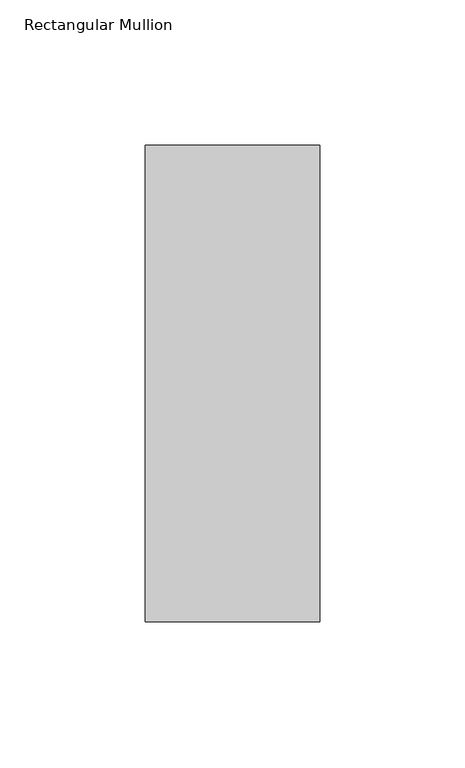
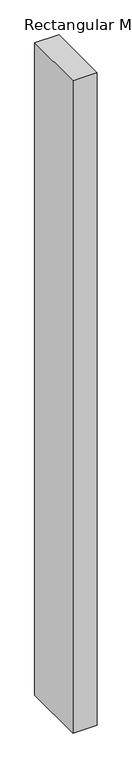
"""IFC4 building model written with IfcOpenShell, lengths in millimetres: member geometry, Rectangular Mullion."""

from ifc_helpers import new_model, si_unit, frame, origin, place, context, project, spatial, polyline, outline, extrude, source, transform, mapped, element, save


def rectangular_mullion_8a274c1c(model_context):
    return source(origin(), model_context, "Body", "SweptSolid", [
        extrude(outline(polyline([(30.0, 127.525), (30.0, -36.525), (-30.0, -36.525), (-30.0, 127.525), (30.0, 127.525)])), frame((0.0, 0.0, -1708.8912252), z_axis=(0.0, 0.0, 1.0), x_axis=(1.0, 0.0, 0.0)), (0.0, 0.0, 1.0), 1708.8912252),
    ])


if __name__ == "__main__":
    model = new_model("IFC4")
    model_context = context("Model", 3, world=origin())
    ifc_project = project(units=[si_unit("LENGTHUNIT", "METRE", prefix="MILLI")], contexts=[model_context])
    site = spatial("IfcSite", under=ifc_project)
    building = spatial("IfcBuilding", under=site)
    placement = place(None, origin())
    rectangular_mullion_shape = rectangular_mullion_8a274c1c(model_context)
    element("IfcMember", 1, ObjectType="Rectangular Mullion", at=placement, inside=building, context=model_context, shape_type="MappedRepresentation", body=[
        mapped(rectangular_mullion_shape, transform((0.0, 0.0, 0.0), x_axis=(1.0, 0.0, 0.0), y_axis=(0.0, 1.0, 0.0), z_axis=(0.0, 0.0, 1.0))),
    ])
    save(model, "model.ifc")
